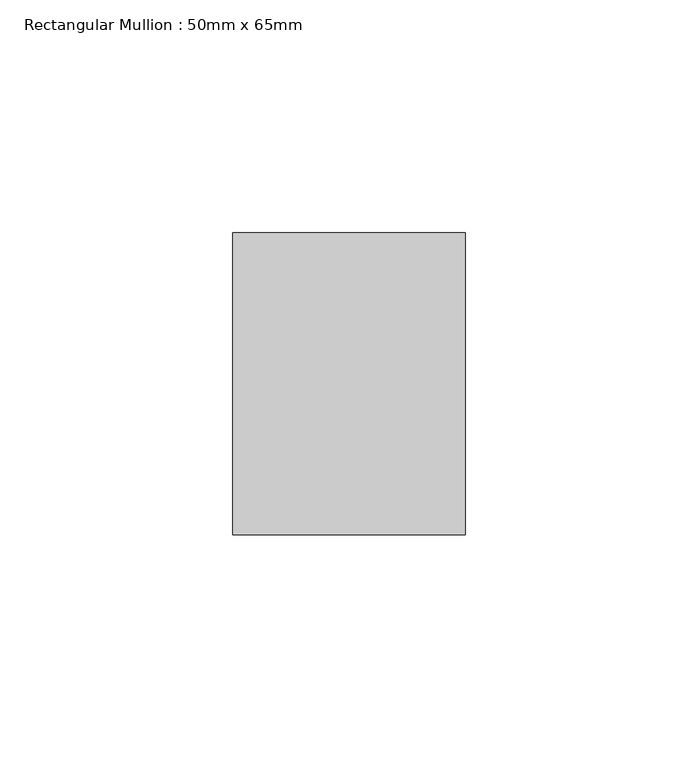
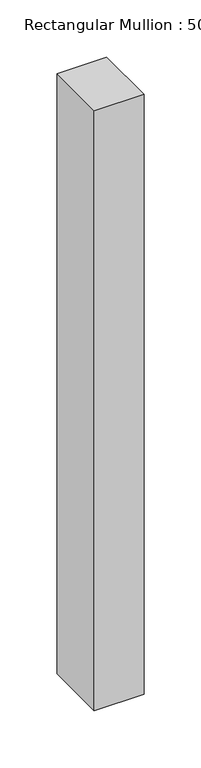
"""IFC4 building model written with IfcOpenShell, lengths in millimetres: member geometry, Rectangular Mullion : 50mm x 65mm."""

from ifc_helpers import new_model, si_unit, frame, origin, place, context, project, spatial, polyline, outline, extrude, source, transform, mapped, element, save


def rectangular_mullion_50mm_x_65mm_56403ee2(model_context):
    return source(origin(), model_context, "Body", "SweptSolid", [
        extrude(outline(polyline([(25.0, 32.5), (25.0, -32.5), (-25.0, -32.5), (-25.0, 32.5), (25.0, 32.5)])), frame((0.0, 0.0, -639.7126375), z_axis=(0.0, 0.0, 1.0), x_axis=(1.0, 0.0, 0.0)), (0.0, 0.0, 1.0), 639.7126375),
    ])


if __name__ == "__main__":
    model = new_model("IFC4")
    model_context = context("Model", 3, world=origin())
    ifc_project = project(units=[si_unit("LENGTHUNIT", "METRE", prefix="MILLI")], contexts=[model_context])
    site = spatial("IfcSite", under=ifc_project)
    building = spatial("IfcBuilding", under=site)
    placement = place(None, origin())
    rectangular_mullion_50mm_x_65mm_shape = rectangular_mullion_50mm_x_65mm_56403ee2(model_context)
    element("IfcMember", 1, ObjectType="Rectangular Mullion : 50mm x 65mm", at=placement, inside=building, context=model_context, shape_type="MappedRepresentation", body=[
        mapped(rectangular_mullion_50mm_x_65mm_shape, transform((0.0, 0.0, 0.0), x_axis=(1.0, 0.0, 0.0), y_axis=(0.0, 1.0, 0.0), z_axis=(0.0, 0.0, 1.0))),
    ])
    save(model, "model.ifc")
